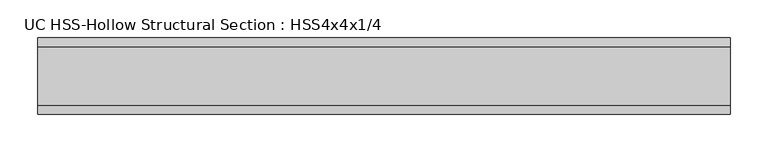
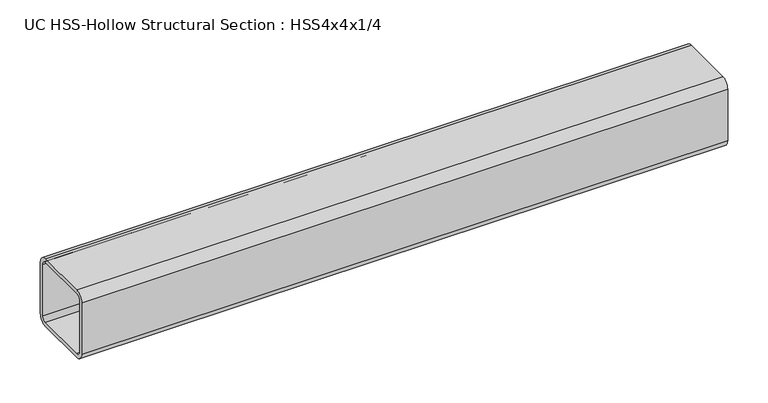
"""IFC4 building model written with IfcOpenShell, lengths in millimetres: beam geometry, UC HSS-Hollow Structural Section : HSS4x4x1/4."""

from ifc_helpers import new_model, si_unit, point, frame, frame_2d, origin, place, context, project, spatial, polyline, circle_curve, trimmed, segment, composite_curve, outline, extrude, source, transform, mapped, element, save


def uc_hss_hollow_structural_section_hss4x4x1_4_caf51683(model_context):
    return source(origin(), model_context, "Body", "SweptSolid", [
        extrude(outline(composite_curve([segment(polyline([(50.8, 38.9636), (50.8, -38.9636)]), True, "CONTINUOUS"), segment(trimmed(circle_curve(frame_2d((38.9636, -38.9636)), 11.8364), [point((50.8, -38.9636))], [point((38.9636, -50.8))], False, "CARTESIAN"), True, "CONTINUOUS"), segment(polyline([(38.9636, -50.8), (-38.9636, -50.8)]), True, "CONTINUOUS"), segment(trimmed(circle_curve(frame_2d((-38.9636, -38.9636)), 11.8364), [point((-38.9636, -50.8))], [point((-50.8, -38.9636))], False, "CARTESIAN"), True, "CONTINUOUS"), segment(polyline([(-50.8, -38.9636), (-50.8, 38.9636)]), True, "CONTINUOUS"), segment(trimmed(circle_curve(frame_2d((-38.9636, 38.9636)), 11.8364), [point((-50.8, 38.9636))], [point((-38.9636, 50.8))], False, "CARTESIAN"), True, "CONTINUOUS"), segment(polyline([(-38.9636, 50.8), (38.9636, 50.8)]), True, "CONTINUOUS"), segment(trimmed(circle_curve(frame_2d((38.9636, 38.9636)), 11.8364), [point((38.9636, 50.8))], [point((50.8, 38.9636))], False, "CARTESIAN"), True, "CONTINUOUS")], self_intersect=False), holes=[composite_curve([segment(trimmed(circle_curve(frame_2d((-38.9636, 38.9636)), 5.9182), [point((-38.9636, 44.8818))], [point((-44.8818, 38.9636))], True, "CARTESIAN"), True, "CONTINUOUS"), segment(polyline([(-44.8818, 38.9636), (-44.8818, -38.9636)]), True, "CONTINUOUS"), segment(trimmed(circle_curve(frame_2d((-38.9636, -38.9636)), 5.9182), [point((-44.8818, -38.9636))], [point((-38.9636, -44.8818))], True, "CARTESIAN"), True, "CONTINUOUS"), segment(polyline([(-38.9636, -44.8818), (38.9636, -44.8818)]), True, "CONTINUOUS"), segment(trimmed(circle_curve(frame_2d((38.9636, -38.9636)), 5.9182), [point((38.9636, -44.8818))], [point((44.8818, -38.9636))], True, "CARTESIAN"), True, "CONTINUOUS"), segment(polyline([(44.8818, -38.9636), (44.8818, 38.9636)]), True, "CONTINUOUS"), segment(trimmed(circle_curve(frame_2d((38.9636, 38.9636)), 5.9182), [point((44.8818, 38.9636))], [point((38.9636, 44.8818))], True, "CARTESIAN"), True, "CONTINUOUS"), segment(polyline([(38.9636, 44.8818), (-38.9636, 44.8818)]), True, "CONTINUOUS")], self_intersect=False)]), frame((-382.4312693, 0.0, 0.0), z_axis=(1.0, 0.0, 0.0), x_axis=(0.0, 1.0, 0.0)), (0.0, 0.0, 1.0), 921.2466366),
    ])


if __name__ == "__main__":
    model = new_model("IFC4")
    model_context = context("Model", 3, world=origin())
    ifc_project = project(units=[si_unit("LENGTHUNIT", "METRE", prefix="MILLI")], contexts=[model_context])
    site = spatial("IfcSite", under=ifc_project)
    building = spatial("IfcBuilding", under=site)
    placement = place(None, origin())
    uc_hss_hollow_structural_section_hss4x4x1_4_shape = uc_hss_hollow_structural_section_hss4x4x1_4_caf51683(model_context)
    element("IfcBeam", 1, ObjectType="UC HSS-Hollow Structural Section : HSS4x4x1/4", at=placement, inside=building, context=model_context, shape_type="MappedRepresentation", body=[
        mapped(uc_hss_hollow_structural_section_hss4x4x1_4_shape, transform((0.0, 0.0, 0.0), x_axis=(1.0, 0.0, 0.0), y_axis=(0.0, 1.0, 0.0), z_axis=(0.0, 0.0, 1.0))),
    ])
    save(model, "model.ifc")
